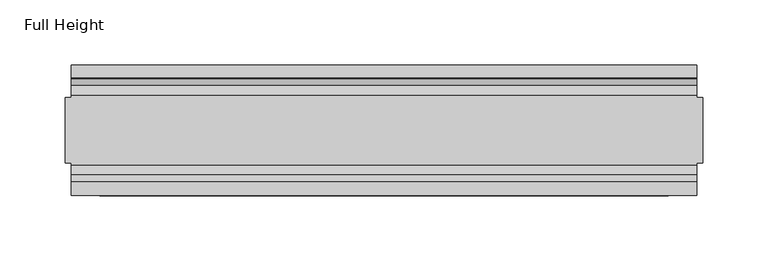
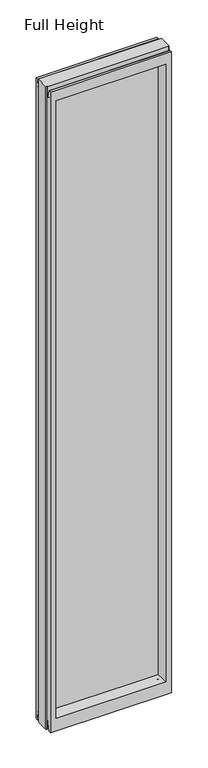
"""IFC4 building model written with IfcOpenShell, lengths in millimetres: plate geometry, Full Height."""

from ifc_helpers import new_model, si_unit, frame, origin, place, context, project, spatial, polyline, circle_curve, outline, extrude, source, transform, mapped, element, save
from ifc_brep_helpers import plane_surface, cylinder_surface, revolved_surface, advanced_brep


def full_height_5ff29bc1(model_context):
    return source(origin(), model_context, "Body", "SolidModel", [
        extrude(outline(polyline([(211.836, 6.35), (211.836, -6.35), (-211.836, -6.35), (-211.836, 6.35), (211.836, 6.35)])), frame((0.0, 0.0, 58.801), z_axis=(0.0, 0.0, 1.0), x_axis=(1.0, 0.0, 0.0)), (0.0, 0.0, 1.0), 2569.845),
        advanced_brep(
        [(244.475, 25.146, 2688.336), (239.903, 25.146, 2688.336), (239.903, 26.67, 2688.336), (-239.903, 26.67, 2688.336), (-239.903, 25.146, 2688.336), (-244.475, 25.146, 2688.336), (-244.475, -25.146, 2688.336), (-239.903, -25.146, 2688.336), (-239.903, -26.67, 2688.336), (239.903, -26.67, 2688.336), (239.903, -25.146, 2688.336), (244.475, -25.146, 2688.336), (244.475, 25.146, 0.0), (244.475, -25.146, 0.0), (239.903, -25.146, 0.0), (239.903, -26.67, 0.0), (-239.903, -26.67, 0.0), (-239.903, -25.146, 0.0), (-244.475, -25.146, 0.0), (-244.475, 25.146, 0.0), (-239.903, 25.146, 0.0), (-239.903, 26.67, 0.0), (239.903, 26.67, 0.0), (239.903, 25.146, 0.0), (-239.903, 40.7946686, 0.0), (-239.903, 50.0, 0.0), (239.903, 50.0, 0.0), (239.903, 40.7946686, 0.0), (-239.903, 26.67, 36.4542208), (239.903, 26.67, 36.4542208), (-239.903, -26.67, 36.4542208), (-239.903, -34.2686707, 36.8568054), (-239.903, -36.9464913, 11.6561909), (-239.903, -39.043018, 8.6755976), (-239.903, -39.5246686, 7.9074686), (-239.903, -39.5246686, 1.27), (-239.903, -40.7946686, 0.0), (-239.903, -50.0, 0.0), (-239.903, -50.0, 2679.192), (-239.903, -39.9371387, 2679.192), (-239.903, -39.1867152, 2678.5623199), (-239.903, -34.2321175, 2650.4634004), (-239.903, -26.67, 2651.125), (-239.903, 39.5246686, 1.27), (-239.903, 39.5246686, 7.9074686), (-239.903, 39.043018, 8.6755976), (-239.903, 36.9464913, 11.6561909), (-239.903, 34.2686707, 36.8568054), (-239.903, 26.67, 2651.125), (-239.903, 34.2321175, 2650.4634004), (-239.903, 39.1867152, 2678.5623199), (-239.903, 39.9371387, 2679.192), (-239.903, 50.0, 2679.192), (239.903, -50.0, 0.0), (239.903, -50.0, 2679.192), (-217.805, -50.0, 2634.615), (217.805, -50.0, 2634.615), (217.805, -50.0, 52.8372208), (-217.805, -50.0, 52.8372208), (239.903, 50.0, 2679.192), (-217.805, 50.0, 52.8372208), (217.805, 50.0, 52.8372208), (217.805, 50.0, 2634.615), (-217.805, 50.0, 2634.615), (-211.836, -6.1006519, 58.8062208), (-211.836, -6.1006519, 2628.646), (-211.836, 6.1006519, 2628.646), (-211.836, 6.1006519, 58.8062208), (211.836, 6.1006519, 58.8062208), (211.836, 6.1006519, 2628.646), (211.836, -6.1006519, 2628.646), (211.836, -6.1006519, 58.8062208), (239.903, -40.7946686, 0.0), (239.903, -39.5246686, 1.27), (239.903, -39.5246686, 7.9074686), (239.903, -39.043018, 8.6755976), (239.903, -36.9464913, 11.6561909), (239.903, -34.2686707, 36.8568054), (239.903, -26.67, 36.4542208), (239.903, -26.67, 2651.125), (239.903, -34.2321175, 2650.4634004), (239.903, -39.1867152, 2678.5623199), (239.903, -39.9371387, 2679.192), (239.903, 39.9371387, 2679.192), (239.903, 39.1867152, 2678.5623199), (239.903, 34.2321175, 2650.4634004), (239.903, 26.67, 2651.125), (239.903, 34.2686707, 36.8568054), (239.903, 36.9464913, 11.6561909), (239.903, 39.043018, 8.6755976), (239.903, 39.5246686, 7.9074686), (239.903, 39.5246686, 1.27)],
        [
            (0, 1),
            (1, 2),
            (2, 3),
            (3, 4),
            (4, 5),
            (5, 6),
            (6, 7),
            (7, 8),
            (8, 9),
            (9, 10),
            (10, 11),
            (11, 0),
            (12, 13),
            (13, 14),
            (14, 15),
            (15, 16),
            (16, 17),
            (17, 18),
            (18, 19),
            (19, 20),
            (20, 21),
            (21, 22),
            (22, 23),
            (23, 12),
            (23, 1),
            (0, 12),
            (10, 14),
            (13, 11),
            (5, 19),
            (18, 6),
            (17, 7),
            (4, 20),
            (24, 25),
            (25, 26),
            (26, 27),
            (27, 24),
            (21, 28),
            (28, 29),
            (29, 22),
            (16, 30),
            (30, 31, circle_curve(frame((-239.903, -30.48, 36.4542208), z_axis=(1.0, 0.0, 0.0), x_axis=(0.0, -1.0, 0.0)), 3.81)),
            (31, 32),
            (32, 33, circle_curve(frame((-239.903, -40.6770502, 12.0526006), z_axis=(-1.0, 0.0, 0.0), x_axis=(0.0, -1.0, 0.0)), 3.751561)),
            (33, 34, circle_curve(frame((-239.903, -38.671343, 7.9074686), z_axis=(1.0, 0.0, 0.0), x_axis=(0.0, -1.0, 0.0)), 0.8533256)),
            (34, 35),
            (35, 36, circle_curve(frame((-239.903, -40.7946686, 1.27), z_axis=(-1.0, 0.0, 0.0), x_axis=(0.0, -1.0, 0.0)), 1.27)),
            (36, 37),
            (37, 38),
            (38, 39),
            (39, 40, circle_curve(frame((-239.903, -39.9371387, 2678.43), z_axis=(-1.0, 0.0, 0.0), x_axis=(0.0, -1.0, 0.0)), 0.762)),
            (40, 41),
            (41, 42, circle_curve(frame((-239.903, -30.48, 2651.125), z_axis=(1.0, 0.0, 0.0), x_axis=(0.0, -1.0, 0.0)), 3.81)),
            (42, 8),
            (24, 43, circle_curve(frame((-239.903, 40.7946686, 1.27), z_axis=(-1.0, 0.0, 0.0), x_axis=(0.0, -1.0, 0.0)), 1.27)),
            (43, 44),
            (44, 45, circle_curve(frame((-239.903, 38.671343, 7.9074686), z_axis=(1.0, 0.0, 0.0), x_axis=(0.0, -1.0, 0.0)), 0.8533256)),
            (45, 46, circle_curve(frame((-239.903, 40.6770502, 12.0526006), z_axis=(-1.0, 0.0, 0.0), x_axis=(0.0, -1.0, 0.0)), 3.751561)),
            (46, 47),
            (47, 28, circle_curve(frame((-239.903, 30.48, 36.4542208), z_axis=(1.0, 0.0, 0.0), x_axis=(0.0, -1.0, 0.0)), 3.81)),
            (3, 48),
            (48, 49, circle_curve(frame((-239.903, 30.48, 2651.125), z_axis=(1.0, 0.0, 0.0), x_axis=(0.0, -1.0, 0.0)), 3.81)),
            (49, 50),
            (50, 51, circle_curve(frame((-239.903, 39.9371387, 2678.43), z_axis=(-1.0, 0.0, 0.0), x_axis=(0.0, -1.0, 0.0)), 0.762)),
            (51, 52),
            (52, 25),
            (37, 53),
            (53, 54),
            (54, 38),
            (55, 56),
            (56, 57),
            (57, 58),
            (58, 55),
            (52, 59),
            (59, 26),
            (60, 61),
            (61, 62),
            (62, 63),
            (63, 60),
            (58, 64),
            (64, 65),
            (65, 55),
            (63, 66),
            (66, 67),
            (67, 60),
            (61, 68),
            (68, 69),
            (69, 62),
            (70, 71),
            (71, 57),
            (56, 70),
            (53, 72),
            (72, 73, circle_curve(frame((239.903, -40.7946686, 1.27), z_axis=(1.0, 0.0, 0.0), x_axis=(0.0, -1.0, 0.0)), 1.27)),
            (73, 74),
            (74, 75, circle_curve(frame((239.903, -38.671343, 7.9074686), z_axis=(-1.0, 0.0, 0.0), x_axis=(0.0, -1.0, 0.0)), 0.8533256)),
            (75, 76, circle_curve(frame((239.903, -40.6770502, 12.0526006), z_axis=(1.0, 0.0, 0.0), x_axis=(0.0, -1.0, 0.0)), 3.751561)),
            (76, 77),
            (77, 78, circle_curve(frame((239.903, -30.48, 36.4542208), z_axis=(-1.0, 0.0, 0.0), x_axis=(0.0, -1.0, 0.0)), 3.81)),
            (78, 15),
            (9, 79),
            (79, 80, circle_curve(frame((239.903, -30.48, 2651.125), z_axis=(-1.0, 0.0, 0.0), x_axis=(0.0, -1.0, 0.0)), 3.81)),
            (80, 81),
            (81, 82, circle_curve(frame((239.903, -39.9371387, 2678.43), z_axis=(1.0, 0.0, 0.0), x_axis=(0.0, -1.0, 0.0)), 0.762)),
            (82, 54),
            (59, 83),
            (83, 84, circle_curve(frame((239.903, 39.9371387, 2678.43), z_axis=(1.0, 0.0, 0.0), x_axis=(0.0, -1.0, 0.0)), 0.762)),
            (84, 85),
            (85, 86, circle_curve(frame((239.903, 30.48, 2651.125), z_axis=(-1.0, 0.0, 0.0), x_axis=(0.0, -1.0, 0.0)), 3.81)),
            (86, 2),
            (29, 87, circle_curve(frame((239.903, 30.48, 36.4542208), z_axis=(-1.0, 0.0, 0.0), x_axis=(0.0, -1.0, 0.0)), 3.81)),
            (87, 88),
            (88, 89, circle_curve(frame((239.903, 40.6770502, 12.0526006), z_axis=(1.0, 0.0, 0.0), x_axis=(0.0, -1.0, 0.0)), 3.751561)),
            (89, 90, circle_curve(frame((239.903, 38.671343, 7.9074686), z_axis=(-1.0, 0.0, 0.0), x_axis=(0.0, -1.0, 0.0)), 0.8533256)),
            (90, 91),
            (91, 27, circle_curve(frame((239.903, 40.7946686, 1.27), z_axis=(1.0, 0.0, 0.0), x_axis=(0.0, -1.0, 0.0)), 1.27)),
            (91, 43),
            (90, 44),
            (89, 45),
            (88, 46),
            (87, 47),
            (78, 30),
            (31, 77),
            (76, 32),
            (75, 33),
            (74, 34),
            (73, 35),
            (72, 36),
            (71, 64),
            (67, 68),
            (86, 48),
            (85, 49),
            (84, 50),
            (83, 51),
            (69, 66),
            (65, 70),
            (82, 39),
            (81, 40),
            (80, 41),
            (79, 42),
            (65, 66),
            (69, 70),
            (71, 68),
            (67, 64),
        ],
        [
            plane_surface(frame((239.903, 25.146, 2688.336), z_axis=(0.0, 0.0, 1.0), x_axis=(-1.0, 0.0, 0.0))),
            plane_surface(frame((239.903, 25.146, 0.0), z_axis=(0.0, 0.0, -1.0), x_axis=(1.0, 0.0, 0.0))),
            plane_surface(frame((244.475, 25.146, 2688.336), z_axis=(0.0, 1.0, 0.0), x_axis=(0.0, 0.0, -1.0))),
            plane_surface(frame((239.903, -25.146, 2688.336), z_axis=(0.0, -1.0, 0.0), x_axis=(0.0, 0.0, -1.0))),
            plane_surface(frame((244.475, -25.146, 2688.336), z_axis=(1.0, 0.0, 0.0), x_axis=(0.0, 0.0, -1.0))),
            plane_surface(frame((-244.475, 25.146, 2688.336), z_axis=(-1.0, 0.0, 0.0), x_axis=(0.0, 0.0, -1.0))),
            plane_surface(frame((-244.475, -25.146, 2688.336), z_axis=(0.0, -1.0, 0.0), x_axis=(0.0, 0.0, -1.0))),
            plane_surface(frame((-239.903, 25.146, 2688.336), z_axis=(0.0, 1.0, 0.0), x_axis=(0.0, 0.0, -1.0))),
            plane_surface(frame((-239.903, 50.0, 0.0), z_axis=(0.0, 0.0, -1.0), x_axis=(1.0, 0.0, 0.0))),
            plane_surface(frame((-239.903, 26.67, 36.4542208), z_axis=(0.0, 1.0, 0.0), x_axis=(1.0, 0.0, 0.0))),
            plane_surface(frame((-239.903, 50.0, 2646.4006), z_axis=(-1.0, 0.0, 0.0), x_axis=(0.0, 0.0, -1.0))),
            plane_surface(frame((-239.903, -50.0, 2646.4006), z_axis=(0.0, -1.0, 0.0), x_axis=(0.0, 0.0, -1.0))),
            plane_surface(frame((-217.805, 50.0, 2646.4006), z_axis=(0.0, 1.0, 0.0), x_axis=(0.0, 0.0, -1.0))),
            plane_surface(frame((-217.805, -50.0, 2646.4006), z_axis=(0.9908822943533606, -0.13473039277393942, 0.0), x_axis=(0.0, 0.0, -1.0))),
            plane_surface(frame((-211.836, 6.1006519, 2646.4006), z_axis=(0.9908822943533612, 0.13473039277393595, 0.0), x_axis=(0.0, 0.0, -1.0))),
            plane_surface(frame((217.805, 50.0, 2646.4006), z_axis=(-0.990882294353361, 0.1347303927739373, 0.0), x_axis=(0.0, 0.0, -1.0))),
            plane_surface(frame((211.836, -6.1006519, 2646.4006), z_axis=(-0.9908822943533567, -0.13473039277396856, 0.0), x_axis=(0.0, 0.0, -1.0))),
            plane_surface(frame((239.903, -50.0, 2646.4006), z_axis=(1.0, 0.0, 0.0), x_axis=(0.0, 0.0, -1.0))),
            cylinder_surface(frame((239.903, 40.7946686, 1.27), z_axis=(-1.0, 0.0, 0.0), x_axis=(0.0, -1.0, 0.0)), 1.27),
            plane_surface(frame((-239.903, 39.5246686, 1.27), z_axis=(0.0, -1.0, 0.0), x_axis=(1.0, 0.0, 0.0))),
            revolved_surface(polyline([(239.903, 37.8180174, 7.9074686), (-239.903, 37.8180174, 7.9074686)]), (239.903, 38.671343, 7.9074686), (1.0, 0.0, 0.0)),
            cylinder_surface(frame((239.903, 40.6770502, 12.0526006), z_axis=(-1.0, 0.0, 0.0), x_axis=(0.0, -1.0, 0.0)), 3.751561),
            plane_surface(frame((-239.903, 36.9464913, 11.6561909), z_axis=(0.0, -0.9944017560866673, -0.10566526151840337), x_axis=(1.0, 0.0, 0.0))),
            plane_surface(frame((-239.903, -26.67, 0.0), z_axis=(0.0, -1.0, 0.0), x_axis=(1.0, 0.0, 0.0))),
            plane_surface(frame((-239.903, -34.2686707, 36.8568054), z_axis=(0.0, 0.9944017560866221, -0.10566526151882734), x_axis=(1.0, 0.0, 0.0))),
            cylinder_surface(frame((239.903, -40.6770502, 12.0526006), z_axis=(-1.0, 0.0, 0.0), x_axis=(0.0, -1.0, 0.0)), 3.751561),
            revolved_surface(polyline([(239.903, -39.5246686, 7.9074686), (-239.903, -39.5246686, 7.9074686)]), (239.903, -38.671343, 7.9074686), (1.0, 0.0, 0.0)),
            plane_surface(frame((-239.903, -39.5246686, 7.9074686), z_axis=(0.0, 1.0, 0.0), x_axis=(1.0, 0.0, 0.0))),
            cylinder_surface(frame((239.903, -40.7946686, 1.27), z_axis=(-1.0, 0.0, 0.0), x_axis=(0.0, -1.0, 0.0)), 1.27),
            plane_surface(frame((-239.903, -40.7946686, 0.0), z_axis=(0.0, 0.0, -1.0), x_axis=(1.0, 0.0, 0.0))),
            plane_surface(frame((-239.903, -50.0, 52.8372208), z_axis=(0.0, -0.13473039277394736, 0.9908822943533596), x_axis=(1.0, 0.0, 0.0))),
            plane_surface(frame((-239.903, 6.1006519, 58.8062208), z_axis=(0.0, 0.13473039277399934, 0.9908822943533526), x_axis=(1.0, 0.0, 0.0))),
            revolved_surface(polyline([(239.903, 26.67, 36.4542208), (-239.903, 26.67, 36.4542208)]), (239.903, 30.48, 36.4542208), (1.0, 0.0, 0.0)),
            revolved_surface(polyline([(239.903, -34.29, 36.4542208), (-239.903, -34.29, 36.4542208)]), (239.903, -30.48, 36.4542208), (1.0, 0.0, 0.0)),
            plane_surface(frame((-239.903, 26.67, 2688.336), z_axis=(0.0, 1.0, 0.0), x_axis=(1.0, 0.0, 0.0))),
            revolved_surface(polyline([(239.903, 26.67, 2651.125), (-239.903, 26.67, 2651.125)]), (-244.475, 30.48, 2651.125), (1.0, 0.0, 0.0)),
            plane_surface(frame((-239.903, 34.2321175, 2650.4634004), z_axis=(0.0, -0.9848077530113117, 0.17364817767201388), x_axis=(1.0, 0.0, 0.0))),
            cylinder_surface(frame((-244.475, 39.9371387, 2678.43), z_axis=(-1.0, 0.0, 0.0), x_axis=(0.0, -1.0, 0.0)), 0.762),
            plane_surface(frame((-239.903, 39.9371387, 2679.192), z_axis=(0.0, 0.0, 1.0), x_axis=(1.0, 0.0, 0.0))),
            plane_surface(frame((-239.903, 50.0, 2634.615), z_axis=(0.0, 0.13473039277348647, -0.9908822943534222), x_axis=(1.0, 0.0, 0.0))),
            plane_surface(frame((-239.903, -6.1006519, 2628.646), z_axis=(0.0, -0.13473039277251464, -0.9908822943535543), x_axis=(1.0, 0.0, 0.0))),
            plane_surface(frame((-239.903, -50.0, 2679.192), z_axis=(0.0, 0.0, 1.0), x_axis=(1.0, 0.0, 0.0))),
            cylinder_surface(frame((-244.475, -39.9371387, 2678.43), z_axis=(-1.0, 0.0, 0.0), x_axis=(0.0, -1.0, 0.0)), 0.762),
            plane_surface(frame((-239.903, -39.1867152, 2678.5623199), z_axis=(0.0, 0.9848077530103968, 0.1736481776772025), x_axis=(1.0, 0.0, 0.0))),
            revolved_surface(polyline([(239.903, -34.29, 2651.125), (-239.903, -34.29, 2651.125)]), (-244.475, -30.48, 2651.125), (1.0, 0.0, 0.0)),
            plane_surface(frame((-239.903, -26.67, 2651.125), z_axis=(0.0, -1.0, 0.0), x_axis=(1.0, 0.0, 0.0))),
            plane_surface(frame((-239.903, 6.1006519, 2628.646), z_axis=(0.0, 0.0, -1.0), x_axis=(1.0, 0.0, 0.0))),
            plane_surface(frame((-239.903, -6.1006519, 58.8062208), z_axis=(0.0, 0.0, 1.0), x_axis=(1.0, 0.0, 0.0))),
            plane_surface(frame((-211.836, -6.1006519, 2646.4006), z_axis=(1.0, 0.0, 0.0), x_axis=(0.0, 0.0, -1.0))),
            plane_surface(frame((211.836, 6.1006519, 2646.4006), z_axis=(-1.0, 0.0, 0.0), x_axis=(0.0, 0.0, -1.0))),
        ],
        [
            (0, [[1, 2, 3, 4, 5, 6, 7, 8, 9, 10, 11, 12]]),
            (1, [[13, 14, 15, 16, 17, 18, 19, 20, 21, 22, 23, 24]]),
            (2, [[25, -1, 26, -24]]),
            (3, [[-11, 27, -14, 28]]),
            (4, [[-12, -28, -13, -26]]),
            (5, [[-6, 29, -19, 30]]),
            (6, [[31, -7, -30, -18]]),
            (7, [[-5, 32, -20, -29]]),
            (8, [[33, 34, 35, 36]]),
            (9, [[37, 38, 39, -22]]),
            (10, [[-17, 40, 41, 42, 43, 44, 45, 46, 47, 48, 49, 50, 51, 52, 53, -8, -31]]),
            (10, [[-33, 54, 55, 56, 57, 58, 59, -37, -21, -32, -4, 60, 61, 62, 63, 64, 65]]),
            (11, [[-48, 66, 67, 68], [69, 70, 71, 72]]),
            (12, [[-65, 73, 74, -34], [75, 76, 77, 78]]),
            (13, [[-72, 79, 80, 81]]),
            (14, [[-78, 82, 83, 84]]),
            (15, [[-76, 85, 86, 87]]),
            (16, [[88, 89, -70, 90]]),
            (17, [[-67, 91, 92, 93, 94, 95, 96, 97, 98, -15, -27, -10, 99, 100, 101, 102, 103]]),
            (17, [[-74, 104, 105, 106, 107, 108, -2, -25, -23, -39, 109, 110, 111, 112, 113, 114, -35]]),
            (18, [[-54, -36, -114, 115]]),
            (19, [[-55, -115, -113, 116]]),
            (20, [[-56, -116, -112, 117]]),
            (21, [[-57, -117, -111, 118]]),
            (22, [[-58, -118, -110, 119]]),
            (23, [[-40, -16, -98, 120]]),
            (24, [[-42, 121, -96, 122]]),
            (25, [[-43, -122, -95, 123]]),
            (26, [[-44, -123, -94, 124]]),
            (27, [[-45, -124, -93, 125]]),
            (28, [[-46, -125, -92, 126]]),
            (29, [[-47, -126, -91, -66]]),
            (30, [[-71, -89, 127, -79]]),
            (31, [[-75, -84, 128, -85]]),
            (32, [[-59, -119, -109, -38]]),
            (33, [[-41, -120, -97, -121]]),
            (34, [[-60, -3, -108, 129]]),
            (35, [[-61, -129, -107, 130]]),
            (36, [[-62, -130, -106, 131]]),
            (37, [[-63, -131, -105, 132]]),
            (38, [[-64, -132, -104, -73]]),
            (39, [[-77, -87, 133, -82]]),
            (40, [[-69, -81, 134, -90]]),
            (41, [[-49, -68, -103, 135]]),
            (42, [[-50, -135, -102, 136]]),
            (43, [[-51, -136, -101, 137]]),
            (44, [[-52, -137, -100, 138]]),
            (45, [[-53, -138, -99, -9]]),
            (46, [[-134, 139, -133, 140]]),
            (47, [[-127, 141, -128, 142]]),
            (48, [[-83, -139, -80, -142]]),
            (49, [[-88, -140, -86, -141]]),
        ],
    ),
        extrude(outline(polyline([(-211.836, 6.35), (211.836, 6.35), (211.836, -6.35), (-211.836, -6.35), (-211.836, 6.35)])), frame((0.0, 0.0, 58.8062208), z_axis=(0.0, 0.0, 1.0), x_axis=(1.0, 0.0, 0.0)), (0.0, 0.0, 1.0), 2569.8397792),
    ])


if __name__ == "__main__":
    model = new_model("IFC4")
    model_context = context("Model", 3, world=origin())
    ifc_project = project(units=[si_unit("LENGTHUNIT", "METRE", prefix="MILLI")], contexts=[model_context])
    site = spatial("IfcSite", under=ifc_project)
    building = spatial("IfcBuilding", under=site)
    placement = place(None, origin())
    full_height_shape = full_height_5ff29bc1(model_context)
    element("IfcPlate", 1, ObjectType="Full Height", at=placement, inside=building, context=model_context, shape_type="MappedRepresentation", body=[
        mapped(full_height_shape, transform((0.0, 0.0, 0.0), x_axis=(1.0, 0.0, 0.0), y_axis=(0.0, 1.0, 0.0), z_axis=(0.0, 0.0, 1.0))),
    ])
    save(model, "model.ifc")
